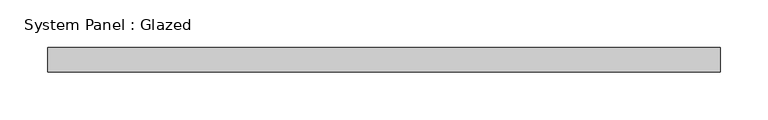
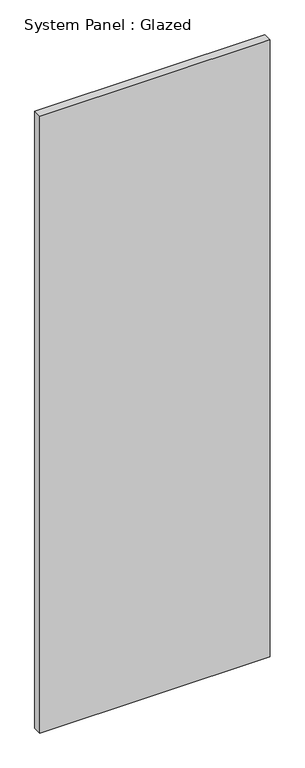
"""IFC4 building model written with IfcOpenShell, lengths in millimetres: plate geometry, System Panel : Glazed."""

from ifc_helpers import new_model, si_unit, origin, origin_with_axes, place, context, project, spatial, polyline, outline, extrude, source, transform, mapped, element, save


def system_panel_glazed_93cfe2e1(model_context):
    return source(origin(), model_context, "Body", "SweptSolid", [
        extrude(outline(polyline([(351.39375, 19.05), (-351.39375, 19.05), (-351.39375, 44.45), (351.39375, 44.45), (351.39375, 19.05)])), origin_with_axes(), (0.0, 0.0, 1.0), 1989.2),
    ])


if __name__ == "__main__":
    model = new_model("IFC4")
    model_context = context("Model", 3, world=origin())
    ifc_project = project(units=[si_unit("LENGTHUNIT", "METRE", prefix="MILLI")], contexts=[model_context])
    site = spatial("IfcSite", under=ifc_project)
    building = spatial("IfcBuilding", under=site)
    placement = place(None, origin())
    system_panel_glazed_shape = system_panel_glazed_93cfe2e1(model_context)
    element("IfcPlate", 1, ObjectType="System Panel : Glazed", at=placement, inside=building, context=model_context, shape_type="MappedRepresentation", body=[
        mapped(system_panel_glazed_shape, transform((0.0, 0.0, 0.0), x_axis=(1.0, 0.0, 0.0), y_axis=(0.0, 1.0, 0.0), z_axis=(0.0, 0.0, 1.0))),
    ])
    save(model, "model.ifc")
